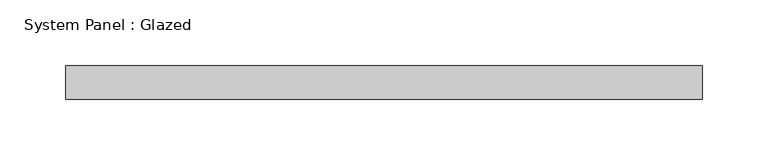
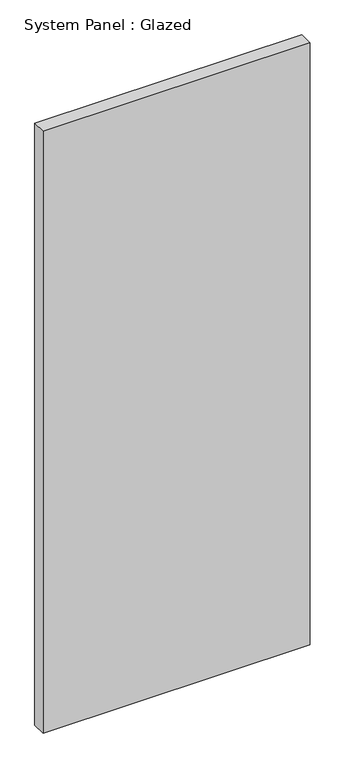
"""IFC4 building model written with IfcOpenShell, lengths in millimetres: plate geometry, System Panel : Glazed."""

from ifc_helpers import new_model, si_unit, origin, origin_with_axes, place, context, project, spatial, polyline, outline, extrude, source, transform, mapped, element, save


def system_panel_glazed_1d14dac9(model_context):
    return source(origin(), model_context, "Body", "SweptSolid", [
        extrude(outline(polyline([(241.3, -12.7), (-241.3, -12.7), (-241.3, 12.7), (241.3, 12.7), (241.3, -12.7)])), origin_with_axes(), (0.0, 0.0, 1.0), 1149.35),
    ])


if __name__ == "__main__":
    model = new_model("IFC4")
    model_context = context("Model", 3, world=origin())
    ifc_project = project(units=[si_unit("LENGTHUNIT", "METRE", prefix="MILLI")], contexts=[model_context])
    site = spatial("IfcSite", under=ifc_project)
    building = spatial("IfcBuilding", under=site)
    placement = place(None, origin())
    system_panel_glazed_shape = system_panel_glazed_1d14dac9(model_context)
    element("IfcPlate", 1, ObjectType="System Panel : Glazed", at=placement, inside=building, context=model_context, shape_type="MappedRepresentation", body=[
        mapped(system_panel_glazed_shape, transform((0.0, 0.0, 0.0), x_axis=(1.0, 0.0, 0.0), y_axis=(0.0, 1.0, 0.0), z_axis=(0.0, 0.0, 1.0))),
    ])
    save(model, "model.ifc")
